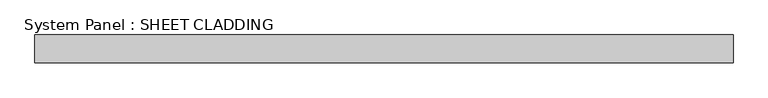
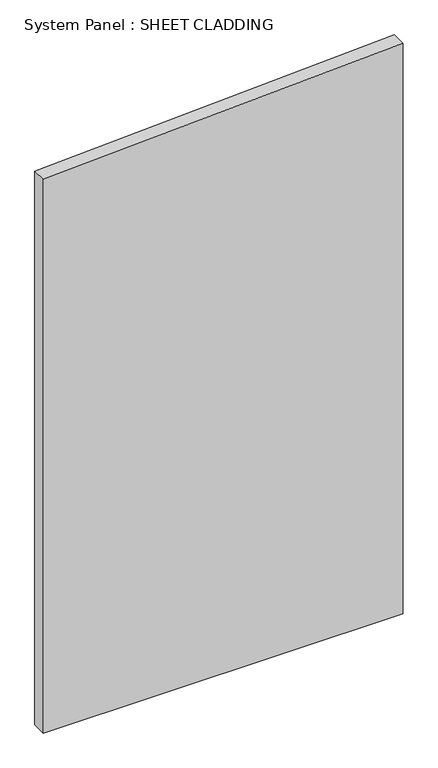
"""IFC4 building model written with IfcOpenShell, lengths in millimetres: plate geometry, System Panel : SHEET CLADDING."""

from ifc_helpers import new_model, si_unit, frame, origin, place, context, project, spatial, polyline, outline, extrude, source, transform, mapped, element, save


def system_panel_sheet_cladding_64caa3a7(model_context):
    return source(origin(), model_context, "Body", "SweptSolid", [
        extrude(outline(polyline([(0.0, -750.0), (0.0, 750.0), (2515.0, 750.0), (2440.0, -750.0), (0.0, -750.0)])), frame((0.0, -10.5, 0.0), z_axis=(0.0, 1.0, 0.0), x_axis=(0.0, 0.0, 1.0)), (0.0, 0.0, 1.0), 60.0),
    ])


if __name__ == "__main__":
    model = new_model("IFC4")
    model_context = context("Model", 3, world=origin())
    ifc_project = project(units=[si_unit("LENGTHUNIT", "METRE", prefix="MILLI")], contexts=[model_context])
    site = spatial("IfcSite", under=ifc_project)
    building = spatial("IfcBuilding", under=site)
    placement = place(None, origin())
    system_panel_sheet_cladding_shape = system_panel_sheet_cladding_64caa3a7(model_context)
    element("IfcPlate", 1, ObjectType="System Panel : SHEET CLADDING", at=placement, inside=building, context=model_context, shape_type="MappedRepresentation", body=[
        mapped(system_panel_sheet_cladding_shape, transform((0.0, 0.0, 0.0), x_axis=(1.0, 0.0, 0.0), y_axis=(0.0, 1.0, 0.0), z_axis=(0.0, 0.0, 1.0))),
    ])
    save(model, "model.ifc")
